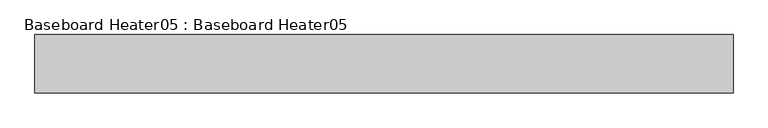
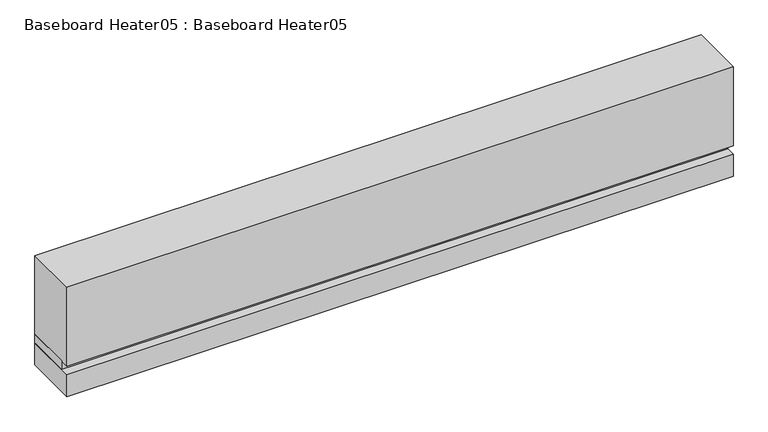
"""IFC4 building model written with IfcOpenShell, lengths in millimetres: proxy geometry, Baseboard Heater05 : Baseboard Heater05."""

from ifc_helpers import new_model, si_unit, frame, origin, origin_with_axes, place, context, project, spatial, polyline, outline, extrude, source, transform, mapped, element, save


def baseboard_heater05_baseboard_heater05_963af21a(model_context):
    return source(origin(), model_context, "Body", "SweptSolid", [
        extrude(outline(polyline([(914.4, 0.0), (-914.4, 0.0), (-914.4, 152.4), (914.4, 152.4), (914.4, 0.0)])), origin_with_axes(), (0.0, 0.0, 1.0), 63.5),
        extrude(outline(polyline([(914.4, 25.4), (-914.4, 25.4), (-914.4, 152.4), (914.4, 152.4), (914.4, 25.4)])), frame((0.0, 0.0, 63.5), z_axis=(0.0, 0.0, 1.0), x_axis=(1.0, 0.0, 0.0)), (0.0, 0.0, 1.0), 25.4),
        extrude(outline(polyline([(914.4, 0.0), (-914.4, 0.0), (-914.4, 152.4), (914.4, 152.4), (914.4, 0.0)])), frame((0.0, 0.0, 88.9), z_axis=(0.0, 0.0, 1.0), x_axis=(1.0, 0.0, 0.0)), (0.0, 0.0, 1.0), 228.6),
    ])


if __name__ == "__main__":
    model = new_model("IFC4")
    model_context = context("Model", 3, world=origin())
    ifc_project = project(units=[si_unit("LENGTHUNIT", "METRE", prefix="MILLI")], contexts=[model_context])
    site = spatial("IfcSite", under=ifc_project)
    building = spatial("IfcBuilding", under=site)
    placement = place(None, origin())
    baseboard_heater05_baseboard_heater05_shape = baseboard_heater05_baseboard_heater05_963af21a(model_context)
    element("IfcBuildingElementProxy", 1, Name="Baseboard Heater05 : Baseboard Heater05", ObjectType="Baseboard Heater05 : Baseboard Heater05", at=placement, inside=building, context=model_context, shape_type="MappedRepresentation", body=[
        mapped(baseboard_heater05_baseboard_heater05_shape, transform((0.0, 0.0, 0.0), x_axis=(1.0, 0.0, 0.0), y_axis=(0.0, 1.0, 0.0), z_axis=(0.0, 0.0, 1.0))),
    ])
    save(model, "model.ifc")
